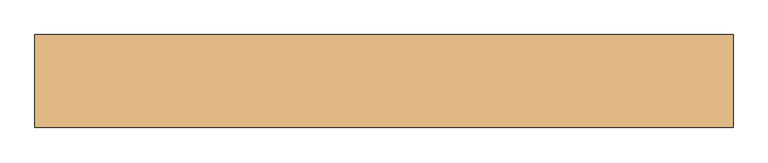
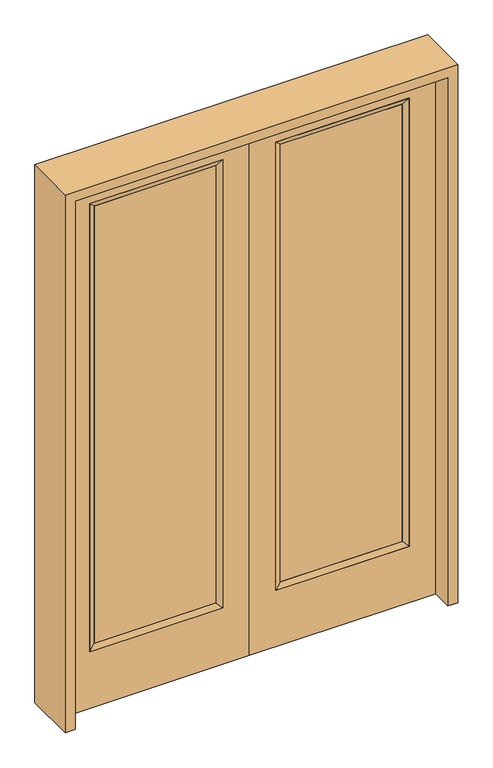
"""IFC4 building model written with IfcOpenShell, lengths in millimetres: door geometry."""

from ifc_helpers import new_model, si_unit, frame, origin, place, context, project, spatial, polyline, outline, extrude, faceted_brep, source, transform, mapped, element, save


def door_0def220f(model_context):
    return source(origin(), model_context, "Body", "SolidModel", [
        extrude(outline(polyline([(140.8176, -12.7039749), (140.8176, 14.2875), (671.9824, 14.2875), (671.9824, -12.7039749), (140.8176, -12.7039749)])), frame((0.0, 0.0, 285.75), z_axis=(0.0, 0.0, 1.0), x_axis=(1.0, 0.0, 0.0)), (0.0, 0.0, 1.0), 2019.3),
        faceted_brep([(140.8176, 14.2875, 2305.05), (140.8176, 14.2875, 285.75), (115.4176, 22.225, 260.35), (115.4176, 22.225, 2330.45), (115.4176, -22.225, 260.35), (115.4176, -22.225, 2330.45), (671.9824, 14.2875, 285.75), (697.3824, 22.225, 260.35), (140.8176, -12.7039749, 2305.05), (140.8176, -12.7039749, 285.75), (671.9824, -12.7039749, 285.75), (697.3824, -22.225, 260.35), (671.9824, 14.2875, 2305.05), (697.3824, 22.225, 2330.45), (671.9824, -12.7039749, 2305.05), (697.3824, -22.225, 2330.45)], [[[0, 1, 2, 3]], [[3, 2, 4, 5]], [[1, 6, 7, 2]], [[8, 9, 1, 0]], [[9, 10, 6, 1]], [[5, 4, 9, 8]], [[4, 11, 10, 9]], [[2, 7, 11, 4]], [[6, 12, 13, 7]], [[10, 14, 12, 6]], [[11, 15, 14, 10]], [[7, 13, 15, 11]], [[12, 0, 3, 13]], [[14, 8, 0, 12]], [[15, 5, 8, 14]], [[13, 3, 5, 15]]]),
        extrude(outline(polyline([(0.0, 812.8), (2438.4, 812.8), (2438.4, 0.0), (0.0, 0.0), (0.0, 812.8)]), holes=[polyline([(260.35, 697.3824), (260.35, 115.4176), (2330.45, 115.4176), (2330.45, 697.3824), (260.35, 697.3824)])]), frame((0.0, -22.225, 0.0), z_axis=(0.0, 1.0, 0.0), x_axis=(0.0, 0.0, 1.0)), (0.0, 0.0, 1.0), 44.45),
        extrude(outline(polyline([(-140.8176, -12.7039749), (-671.9824, -12.7039749), (-671.9824, 14.2875), (-140.8176, 14.2875), (-140.8176, -12.7039749)])), frame((0.0, 0.0, 285.75), z_axis=(0.0, 0.0, 1.0), x_axis=(1.0, 0.0, 0.0)), (0.0, 0.0, 1.0), 2019.3),
        faceted_brep([(-140.8176, 14.2875, 2305.05), (-115.4176, 22.225, 2330.45), (-115.4176, 22.225, 260.35), (-140.8176, 14.2875, 285.75), (-115.4176, -22.225, 2330.45), (-115.4176, -22.225, 260.35), (-697.3824, 22.225, 260.35), (-671.9824, 14.2875, 285.75), (-140.8176, -12.7039749, 2305.05), (-140.8176, -12.7039749, 285.75), (-671.9824, -12.7039749, 285.75), (-697.3824, -22.225, 260.35), (-697.3824, 22.225, 2330.45), (-671.9824, 14.2875, 2305.05), (-671.9824, -12.7039749, 2305.05), (-697.3824, -22.225, 2330.45)], [[[0, 1, 2, 3]], [[1, 4, 5, 2]], [[3, 2, 6, 7]], [[8, 0, 3, 9]], [[9, 3, 7, 10]], [[4, 8, 9, 5]], [[5, 9, 10, 11]], [[2, 5, 11, 6]], [[7, 6, 12, 13]], [[10, 7, 13, 14]], [[11, 10, 14, 15]], [[6, 11, 15, 12]], [[13, 12, 1, 0]], [[14, 13, 0, 8]], [[15, 14, 8, 4]], [[12, 15, 4, 1]]]),
        extrude(outline(polyline([(0.0, -812.8), (0.0, 0.0), (2438.4, 0.0), (2438.4, -812.8), (0.0, -812.8)]), holes=[polyline([(260.35, -697.3824), (2330.45, -697.3824), (2330.45, -115.4176), (260.35, -115.4176), (260.35, -697.3824)])]), frame((0.0, -22.225, 0.0), z_axis=(0.0, 1.0, 0.0), x_axis=(0.0, 0.0, 1.0)), (0.0, 0.0, 1.0), 44.45),
        extrude(outline(polyline([(2482.85, -857.25), (0.0, -857.25), (0.0, -812.8), (2438.4, -812.8), (2438.4, 812.8), (0.0, 812.8), (0.0, 857.25), (2482.85, 857.25), (2482.85, -857.25)])), frame((0.0, -114.3, 0.0), z_axis=(0.0, 1.0, 0.0), x_axis=(0.0, 0.0, 1.0)), (0.0, 0.0, 1.0), 228.6),
    ])


if __name__ == "__main__":
    model = new_model("IFC4")
    model_context = context("Model", 3, world=origin())
    ifc_project = project(units=[si_unit("LENGTHUNIT", "METRE", prefix="MILLI")], contexts=[model_context])
    site = spatial("IfcSite", under=ifc_project)
    building = spatial("IfcBuilding", under=site)
    placement = place(None, origin())
    door_shape = door_0def220f(model_context)
    element("IfcDoor", 1, at=placement, inside=building, context=model_context, shape_type="MappedRepresentation", body=[
        mapped(door_shape, transform((0.0, 0.0, 0.0), x_axis=(1.0, 0.0, 0.0), y_axis=(0.0, 1.0, 0.0), z_axis=(0.0, 0.0, 1.0))),
    ])
    save(model, "model.ifc")
